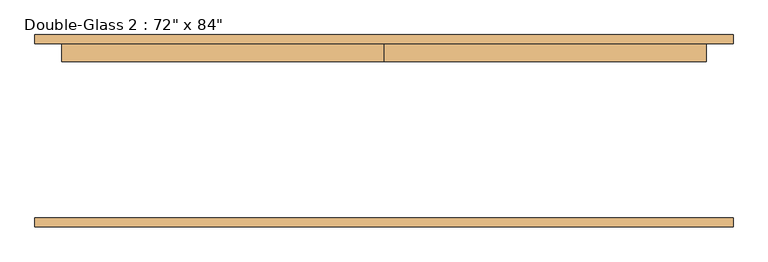
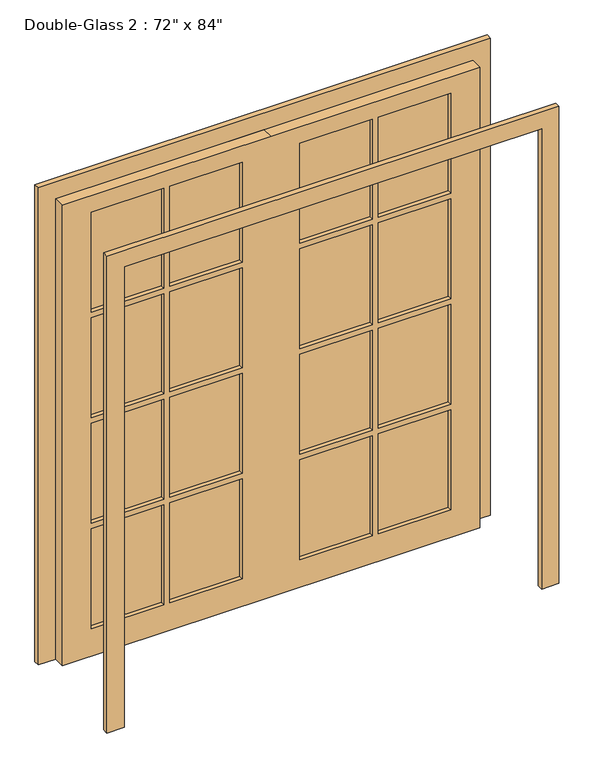
"""IFC4 building model written with IfcOpenShell, lengths in millimetres: door geometry."""

from ifc_helpers import new_model, si_unit, frame, origin, place, context, project, spatial, polyline, outline, extrude, source, transform, mapped, element, save


def door_9ffb7a42(model_context):
    return source(origin(), model_context, "Body", "SweptSolid", [
        extrude(outline(polyline([(469.9, 228.6), (787.4, 228.6), (787.4, 215.9), (469.9, 215.9), (469.9, 228.6)])), frame((0.0, 0.0, 1593.85), z_axis=(0.0, 0.0, 1.0), x_axis=(1.0, 0.0, 0.0)), (0.0, 0.0, 1.0), 463.55),
        extrude(outline(polyline([(127.0, 228.6), (444.5, 228.6), (444.5, 215.9), (127.0, 215.9), (127.0, 228.6)])), frame((0.0, 0.0, 1593.85), z_axis=(0.0, 0.0, 1.0), x_axis=(1.0, 0.0, 0.0)), (0.0, 0.0, 1.0), 463.55),
        extrude(outline(polyline([(-444.5, 228.6), (-127.0, 228.6), (-127.0, 215.9), (-444.5, 215.9), (-444.5, 228.6)])), frame((0.0, 0.0, 1593.85), z_axis=(0.0, 0.0, 1.0), x_axis=(1.0, 0.0, 0.0)), (0.0, 0.0, 1.0), 463.55),
        extrude(outline(polyline([(-787.4, 228.6), (-469.9, 228.6), (-469.9, 215.9), (-787.4, 215.9), (-787.4, 228.6)])), frame((0.0, 0.0, 1593.85), z_axis=(0.0, 0.0, 1.0), x_axis=(1.0, 0.0, 0.0)), (0.0, 0.0, 1.0), 463.55),
        extrude(outline(polyline([(-787.4, 228.6), (-469.9, 228.6), (-469.9, 215.9), (-787.4, 215.9), (-787.4, 228.6)])), frame((0.0, 0.0, 1104.9), z_axis=(0.0, 0.0, 1.0), x_axis=(1.0, 0.0, 0.0)), (0.0, 0.0, 1.0), 463.55),
        extrude(outline(polyline([(-444.5, 228.6), (-127.0, 228.6), (-127.0, 215.9), (-444.5, 215.9), (-444.5, 228.6)])), frame((0.0, 0.0, 1104.9), z_axis=(0.0, 0.0, 1.0), x_axis=(1.0, 0.0, 0.0)), (0.0, 0.0, 1.0), 463.55),
        extrude(outline(polyline([(127.0, 228.6), (444.5, 228.6), (444.5, 215.9), (127.0, 215.9), (127.0, 228.6)])), frame((0.0, 0.0, 1104.9), z_axis=(0.0, 0.0, 1.0), x_axis=(1.0, 0.0, 0.0)), (0.0, 0.0, 1.0), 463.55),
        extrude(outline(polyline([(469.9, 228.6), (787.4, 228.6), (787.4, 215.9), (469.9, 215.9), (469.9, 228.6)])), frame((0.0, 0.0, 1104.9), z_axis=(0.0, 0.0, 1.0), x_axis=(1.0, 0.0, 0.0)), (0.0, 0.0, 1.0), 463.55),
        extrude(outline(polyline([(469.9, 228.6), (787.4, 228.6), (787.4, 215.9), (469.9, 215.9), (469.9, 228.6)])), frame((0.0, 0.0, 615.95), z_axis=(0.0, 0.0, 1.0), x_axis=(1.0, 0.0, 0.0)), (0.0, 0.0, 1.0), 463.55),
        extrude(outline(polyline([(127.0, 228.6), (444.5, 228.6), (444.5, 215.9), (127.0, 215.9), (127.0, 228.6)])), frame((0.0, 0.0, 615.95), z_axis=(0.0, 0.0, 1.0), x_axis=(1.0, 0.0, 0.0)), (0.0, 0.0, 1.0), 463.55),
        extrude(outline(polyline([(-444.5, 228.6), (-127.0, 228.6), (-127.0, 215.9), (-444.5, 215.9), (-444.5, 228.6)])), frame((0.0, 0.0, 615.95), z_axis=(0.0, 0.0, 1.0), x_axis=(1.0, 0.0, 0.0)), (0.0, 0.0, 1.0), 463.55),
        extrude(outline(polyline([(-787.4, 228.6), (-469.9, 228.6), (-469.9, 215.9), (-787.4, 215.9), (-787.4, 228.6)])), frame((0.0, 0.0, 615.95), z_axis=(0.0, 0.0, 1.0), x_axis=(1.0, 0.0, 0.0)), (0.0, 0.0, 1.0), 463.55),
        extrude(outline(polyline([(469.9, 228.6), (787.4, 228.6), (787.4, 215.9), (469.9, 215.9), (469.9, 228.6)])), frame((0.0, 0.0, 127.0), z_axis=(0.0, 0.0, 1.0), x_axis=(1.0, 0.0, 0.0)), (0.0, 0.0, 1.0), 463.55),
        extrude(outline(polyline([(127.0, 228.6), (444.5, 228.6), (444.5, 215.9), (127.0, 215.9), (127.0, 228.6)])), frame((0.0, 0.0, 127.0), z_axis=(0.0, 0.0, 1.0), x_axis=(1.0, 0.0, 0.0)), (0.0, 0.0, 1.0), 463.55),
        extrude(outline(polyline([(-444.5, 228.6), (-127.0, 228.6), (-127.0, 215.9), (-444.5, 215.9), (-444.5, 228.6)])), frame((0.0, 0.0, 127.0), z_axis=(0.0, 0.0, 1.0), x_axis=(1.0, 0.0, 0.0)), (0.0, 0.0, 1.0), 463.55),
        extrude(outline(polyline([(-787.4, 228.6), (-469.9, 228.6), (-469.9, 215.9), (-787.4, 215.9), (-787.4, 228.6)])), frame((0.0, 0.0, 127.0), z_axis=(0.0, 0.0, 1.0), x_axis=(1.0, 0.0, 0.0)), (0.0, 0.0, 1.0), 463.55),
        extrude(outline(polyline([(2133.6, 0.0), (2133.6, -914.4), (0.0, -914.4), (0.0, 0.0), (0.0, 914.4), (2133.6, 914.4), (2133.6, 0.0)]), holes=[polyline([(2057.4, 469.9), (2057.4, 787.4), (1593.85, 787.4), (1593.85, 469.9), (2057.4, 469.9)]), polyline([(2057.4, 127.0), (2057.4, 444.5), (1593.85, 444.5), (1593.85, 127.0), (2057.4, 127.0)]), polyline([(1568.45, 469.9), (1568.45, 787.4), (1104.9, 787.4), (1104.9, 469.9), (1568.45, 469.9)]), polyline([(1568.45, 127.0), (1568.45, 444.5), (1104.9, 444.5), (1104.9, 127.0), (1568.45, 127.0)]), polyline([(1079.5, 469.9), (1079.5, 787.4), (615.95, 787.4), (615.95, 469.9), (1079.5, 469.9)]), polyline([(1079.5, 127.0), (1079.5, 444.5), (615.95, 444.5), (615.95, 127.0), (1079.5, 127.0)]), polyline([(590.55, 469.9), (590.55, 787.4), (127.0, 787.4), (127.0, 469.9), (590.55, 469.9)]), polyline([(590.55, 127.0), (590.55, 444.5), (127.0, 444.5), (127.0, 127.0), (590.55, 127.0)]), polyline([(2057.4, -444.5), (2057.4, -127.0), (1593.85, -127.0), (1593.85, -444.5), (2057.4, -444.5)]), polyline([(1568.45, -444.5), (1568.45, -127.0), (1104.9, -127.0), (1104.9, -444.5), (1568.45, -444.5)]), polyline([(1568.45, -469.9), (1104.9, -469.9), (1104.9, -787.4), (1568.45, -787.4), (1568.45, -469.9)]), polyline([(1079.5, -444.5), (1079.5, -127.0), (615.95, -127.0), (615.95, -444.5), (1079.5, -444.5)]), polyline([(1079.5, -469.9), (615.95, -469.9), (615.95, -787.4), (1079.5, -787.4), (1079.5, -469.9)]), polyline([(590.55, -444.5), (590.55, -127.0), (127.0, -127.0), (127.0, -444.5), (590.55, -444.5)]), polyline([(590.55, -787.4), (590.55, -469.9), (127.0, -469.9), (127.0, -787.4), (590.55, -787.4)]), polyline([(1593.85, -469.9), (1593.85, -787.4), (2057.4, -787.4), (2057.4, -469.9), (1593.85, -469.9)])]), frame((0.0, 196.85, 0.0), z_axis=(0.0, 1.0, 0.0), x_axis=(0.0, 0.0, 1.0)), (0.0, 0.0, 1.0), 50.8),
        extrude(outline(polyline([(2133.6, -914.4), (2133.6, 914.4), (0.0, 914.4), (0.0, 990.6), (2209.8, 990.6), (2209.8, -990.6), (0.0, -990.6), (0.0, -914.4), (2133.6, -914.4)])), frame((0.0, -273.05, 0.0), z_axis=(0.0, 1.0, 0.0), x_axis=(0.0, 0.0, 1.0)), (0.0, 0.0, 1.0), 25.4),
        extrude(outline(polyline([(2133.6, -914.4), (2133.6, 914.4), (0.0, 914.4), (0.0, 990.6), (2209.8, 990.6), (2209.8, -990.6), (0.0, -990.6), (0.0, -914.4), (2133.6, -914.4)])), frame((0.0, 247.65, 0.0), z_axis=(0.0, 1.0, 0.0), x_axis=(0.0, 0.0, 1.0)), (0.0, 0.0, 1.0), 25.4),
    ])


if __name__ == "__main__":
    model = new_model("IFC4")
    model_context = context("Model", 3, world=origin())
    ifc_project = project(units=[si_unit("LENGTHUNIT", "METRE", prefix="MILLI")], contexts=[model_context])
    site = spatial("IfcSite", under=ifc_project)
    building = spatial("IfcBuilding", under=site)
    placement = place(None, origin())
    door_shape = door_9ffb7a42(model_context)
    element("IfcDoor", 1, ObjectType="Double-Glass 2 : 72\" x 84\"", at=placement, inside=building, context=model_context, shape_type="MappedRepresentation", body=[
        mapped(door_shape, transform((0.0, 0.0, 0.0), x_axis=(1.0, 0.0, 0.0), y_axis=(0.0, 1.0, 0.0), z_axis=(0.0, 0.0, 1.0))),
    ])
    save(model, "model.ifc")
